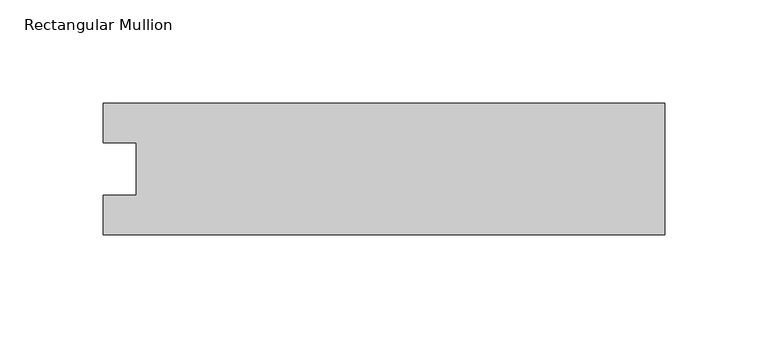
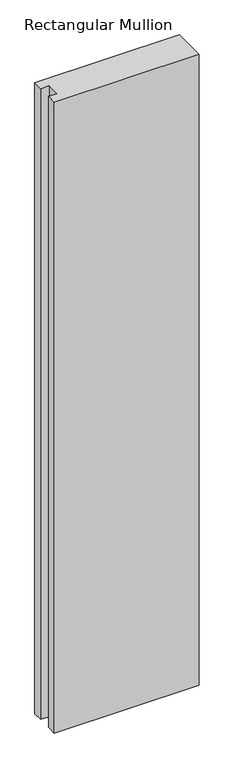
"""IFC4 building model written with IfcOpenShell, lengths in millimetres: member geometry, Rectangular Mullion."""

from ifc_helpers import new_model, si_unit, frame, origin, place, context, project, spatial, polyline, outline, extrude, source, transform, mapped, element, save


def rectangular_mullion_bee19d7a(model_context):
    return source(origin(), model_context, "Body", "SweptSolid", [
        extrude(outline(polyline([(-271.2568015, -31.7489583), (-271.2568015, -12.7), (-255.3707024, -12.7), (-255.3707024, 12.7), (-271.2568015, 12.7), (-271.2568015, 31.7489583), (0.0, 31.7489583), (0.0, -31.7489583), (-271.2568015, -31.7489583)])), frame((0.0, 0.0, -1248.6767), z_axis=(0.0, 0.0, 1.0), x_axis=(1.0, 0.0, 0.0)), (0.0, 0.0, 1.0), 1248.6767),
    ])


if __name__ == "__main__":
    model = new_model("IFC4")
    model_context = context("Model", 3, world=origin())
    ifc_project = project(units=[si_unit("LENGTHUNIT", "METRE", prefix="MILLI")], contexts=[model_context])
    site = spatial("IfcSite", under=ifc_project)
    building = spatial("IfcBuilding", under=site)
    placement = place(None, origin())
    rectangular_mullion_shape = rectangular_mullion_bee19d7a(model_context)
    element("IfcMember", 1, ObjectType="Rectangular Mullion", at=placement, inside=building, context=model_context, shape_type="MappedRepresentation", body=[
        mapped(rectangular_mullion_shape, transform((0.0, 0.0, 0.0), x_axis=(1.0, 0.0, 0.0), y_axis=(0.0, 1.0, 0.0), z_axis=(0.0, 0.0, 1.0))),
    ])
    save(model, "model.ifc")
